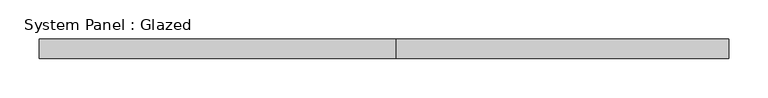
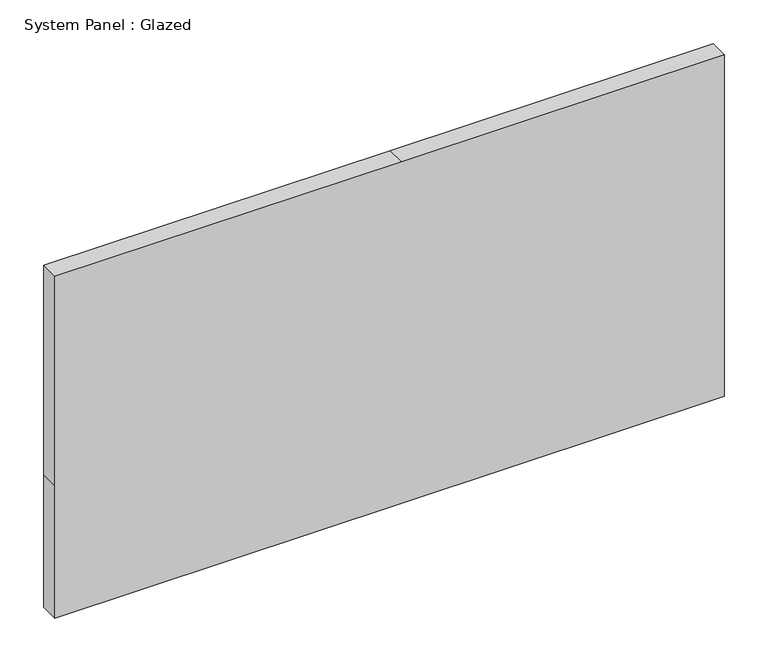
"""IFC4 building model written with IfcOpenShell, lengths in millimetres: plate geometry, System Panel : Glazed."""

from ifc_helpers import new_model, si_unit, frame, origin, place, context, project, spatial, polyline, outline, extrude, source, transform, mapped, element, save


def system_panel_glazed_952d2df8(model_context):
    return source(origin(), model_context, "Body", "SweptSolid", [
        extrude(outline(polyline([(0.0, -441.325), (0.0, 15.875), (0.0, 441.325), (184.15, 441.325), (476.25, 441.325), (476.25, 15.875), (476.25, -441.325), (184.15, -441.325), (0.0, -441.325)])), frame((0.0, 19.05, 0.0), z_axis=(0.0, 1.0, 0.0), x_axis=(0.0, 0.0, 1.0)), (0.0, 0.0, 1.0), 25.4),
    ])


if __name__ == "__main__":
    model = new_model("IFC4")
    model_context = context("Model", 3, world=origin())
    ifc_project = project(units=[si_unit("LENGTHUNIT", "METRE", prefix="MILLI")], contexts=[model_context])
    site = spatial("IfcSite", under=ifc_project)
    building = spatial("IfcBuilding", under=site)
    placement = place(None, origin())
    system_panel_glazed_shape = system_panel_glazed_952d2df8(model_context)
    element("IfcPlate", 1, ObjectType="System Panel : Glazed", at=placement, inside=building, context=model_context, shape_type="MappedRepresentation", body=[
        mapped(system_panel_glazed_shape, transform((0.0, 0.0, 0.0), x_axis=(1.0, 0.0, 0.0), y_axis=(0.0, 1.0, 0.0), z_axis=(0.0, 0.0, 1.0))),
    ])
    save(model, "model.ifc")
